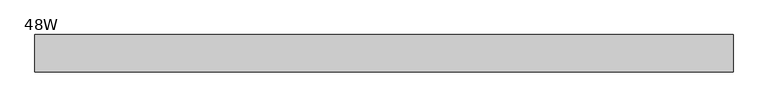
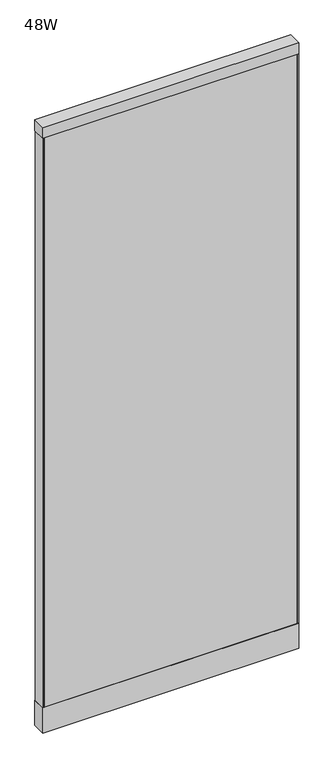
"""IFC4 building model written with IfcOpenShell, lengths in millimetres: plate geometry, 48W."""

from ifc_helpers import new_model, si_unit, frame, origin, origin_with_axes, place, context, project, spatial, polyline, outline, extrude, source, transform, mapped, element, save


def plate_48w_8db99dd3(model_context):
    return source(origin(), model_context, "Body", "SweptSolid", [
        extrude(outline(polyline([(609.6, -32.4103999), (-609.6, -32.4103999), (-609.6, 32.4104002), (609.6, 32.4104002), (609.6, -32.4103999)])), frame((0.0, 0.0, 2993.39), z_axis=(0.0, 0.0, 1.0), x_axis=(1.0, 0.0, 0.0)), (0.0, 0.0, 1.0), 54.61),
        extrude(outline(polyline([(602.488, 0.0), (-602.488, 0.0), (-602.488, 30.3783976), (602.488, 30.3783976), (602.488, 0.0)])), frame((0.0, 0.0, 127.0000061), z_axis=(0.0, 0.0, 1.0), x_axis=(1.0, 0.0, 0.0)), (0.0, 0.0, 1.0), 2866.3899939),
        extrude(outline(polyline([(609.6, -30.3783976), (602.488, -30.3783976), (602.488, 30.3783976), (609.6, 30.3783976), (609.6, -30.3783976)])), frame((0.0, 0.0, 127.0000061), z_axis=(0.0, 0.0, 1.0), x_axis=(1.0, 0.0, 0.0)), (0.0, 0.0, 1.0), 2866.3899939),
        extrude(outline(polyline([(-602.488, -30.3783976), (-609.6, -30.3783976), (-609.6, 30.3783976), (-602.488, 30.3783976), (-602.488, -30.3783976)])), frame((0.0, 0.0, 127.0000061), z_axis=(0.0, 0.0, 1.0), x_axis=(1.0, 0.0, 0.0)), (0.0, 0.0, 1.0), 2866.3899939),
        extrude(outline(polyline([(602.488, -30.3783976), (-602.488, -30.3783976), (-602.488, 0.0), (602.488, 0.0), (602.488, -30.3783976)])), frame((0.0, 0.0, 127.0000061), z_axis=(0.0, 0.0, 1.0), x_axis=(1.0, 0.0, 0.0)), (0.0, 0.0, 1.0), 2866.3899939),
        extrude(outline(polyline([(609.6, -32.4103999), (-609.6, -32.4103999), (-609.6, 32.4104002), (609.6, 32.4104002), (609.6, -32.4103999)])), origin_with_axes(), (0.0, 0.0, 1.0), 127.0000061),
    ])


if __name__ == "__main__":
    model = new_model("IFC4")
    model_context = context("Model", 3, world=origin())
    ifc_project = project(units=[si_unit("LENGTHUNIT", "METRE", prefix="MILLI")], contexts=[model_context])
    site = spatial("IfcSite", under=ifc_project)
    building = spatial("IfcBuilding", under=site)
    placement = place(None, origin())
    plate_48w_shape = plate_48w_8db99dd3(model_context)
    element("IfcPlate", 1, ObjectType="48W", at=placement, inside=building, context=model_context, shape_type="MappedRepresentation", body=[
        mapped(plate_48w_shape, transform((0.0, 0.0, 0.0), x_axis=(1.0, 0.0, 0.0), y_axis=(0.0, 1.0, 0.0), z_axis=(0.0, 0.0, 1.0))),
    ])
    save(model, "model.ifc")
